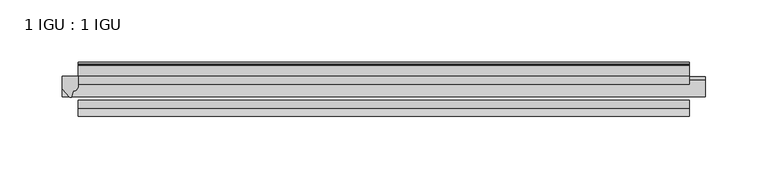
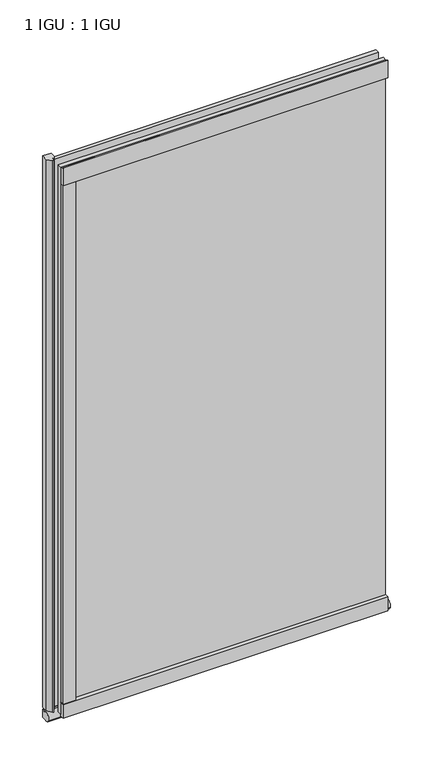
"""IFC4 building model written with IfcOpenShell, lengths in millimetres: plate geometry, 1 IGU : 1 IGU."""

from ifc_helpers import new_model, si_unit, point, frame, frame_2d, origin, place, context, project, spatial, polyline, circle_curve, ellipse_curve, trimmed, segment, composite_curve, outline, extrude, source, transform, mapped, element, save
from ifc_brep_helpers import plane_surface, revolved_surface, extruded_surface, advanced_brep


def plate_1_igu_1_igu_a1e6f64d(model_context):
    return source(origin(), model_context, "Body", "SolidModel", [
        extrude(outline(polyline([(244.6551797, 0.0021347), (244.6551797, -6.2992), (-244.6551797, -6.2992), (-244.6551797, 0.0021347), (244.6551797, 0.0021347)])), frame((0.0, 0.0, -19.05), z_axis=(0.0, 0.0, 1.0), x_axis=(1.0, 0.0, 0.0)), (0.0, 0.0, 1.0), 869.9368072),
        extrude(outline(polyline([(-244.6551797, -19.0986653), (244.6551797, -19.0986653), (244.6551797, -25.3978653), (-244.6551797, -25.3978653), (-244.6551797, -19.0986653)])), frame((0.0, 0.0, -19.05), z_axis=(0.0, 0.0, 1.0), x_axis=(1.0, 0.0, 0.0)), (0.0, 0.0, 1.0), 869.9368072),
        advanced_brep(
        [(257.3551797, -2.9334208, -29.3692082), (257.3551797, -15.7658436, -30.8313288), (257.3551797, -6.7904952, -34.925), (257.3551797, 0.0, -34.925), (257.3551797, 0.0, -22.225), (257.3551797, -2.5187477, -22.225), (-257.3551797, -2.9073519, -29.3720514), (-257.3551797, -2.5187477, -22.225), (-257.3551797, 0.0, -22.225), (-257.3551797, 0.0, -34.925), (-257.3551797, -6.7904952, -34.925), (-257.3551797, -15.7658436, -30.8313288)],
        [
            (0, 1, ellipse_curve(frame((257.3551797, -9.5065066, -28.575), z_axis=(1.0, 0.0, 0.0), x_axis=(0.0, 0.0, -1.0)), 6.9638038, 6.6162554)),
            (1, 2, ellipse_curve(frame((257.3551797, -9.5065066, -28.575), z_axis=(1.0, 0.0, 0.0), x_axis=(0.0, 0.0, -1.0)), 6.9638038, 6.6162554)),
            (2, 3),
            (3, 4, circle_curve(frame((257.3551797, 24.1576838, -28.575), z_axis=(-1.0, 0.0, 0.0), x_axis=(0.0, 0.0, 1.0)), 24.9783143)),
            (4, 5),
            (5, 0, circle_curve(frame((257.3551797, -68.4358767, -22.225), z_axis=(-1.0, 0.0, 0.0), x_axis=(0.0, 0.0, 1.0)), 65.917129)),
            (6, 7, circle_curve(frame((-257.3551797, -68.4358767, -22.225), z_axis=(1.0, 0.0, 0.0), x_axis=(0.0, 0.0, 1.0)), 65.917129)),
            (7, 8),
            (8, 9, circle_curve(frame((-257.3551797, 24.1576838, -28.575), z_axis=(1.0, 0.0, 0.0), x_axis=(0.0, 0.0, 1.0)), 24.9783143)),
            (9, 10),
            (10, 11, ellipse_curve(frame((-257.3551797, -9.5065066, -28.575), z_axis=(-1.0, 0.0, 0.0), x_axis=(0.0, 0.0, -1.0)), 6.9638038, 6.6162554)),
            (11, 6, ellipse_curve(frame((-257.3551797, -9.5065066, -28.575), z_axis=(-1.0, 0.0, 0.0), x_axis=(0.0, 0.0, -1.0)), 6.9638038, 6.6162554)),
            (0, 6),
            (11, 1),
            (10, 2),
            (9, 3),
            (8, 4),
            (7, 5),
        ],
        [
            plane_surface(frame((257.3551797, 0.0, -28.575), z_axis=(1.0, 0.0, 0.0), x_axis=(0.0, 1.0, 0.0))),
            plane_surface(frame((-257.3551797, 0.0, -28.575), z_axis=(-1.0, 0.0, 0.0), x_axis=(0.0, 1.0, 0.0))),
            extruded_surface(trimmed(ellipse_curve(frame((-257.3551797, -9.5065066, -28.575), z_axis=(1.0, 0.0, 0.0), x_axis=(0.0, 0.0, -1.0)), 6.9638038, 6.6162554), [point((-257.3551797, -2.9334208, -29.3692082))], [point((-257.3551797, -15.7658436, -30.8313288))], True, "CARTESIAN"), (514.7103594, 0.0, 0.0), 514.7103594),
            extruded_surface(trimmed(ellipse_curve(frame((-257.3551797, -9.5065066, -28.575), z_axis=(1.0, 0.0, 0.0), x_axis=(0.0, 0.0, -1.0)), 6.9638038, 6.6162554), [point((-257.3551797, -15.7658436, -30.8313288))], [point((-257.3551797, -6.7904952, -34.925))], True, "CARTESIAN"), (514.7103594, 0.0, 0.0), 514.7103594),
            plane_surface(frame((257.3551797, -6.7904952, -34.925), z_axis=(0.0, 0.0, -1.0), x_axis=(-1.0, 0.0, 0.0))),
            revolved_surface(polyline([(-257.3551797, 24.1576838, -3.5966856999999983), (257.3551797, 24.1576838, -3.5966856999999983)]), (257.3551797, 24.1576838, -28.575), (-1.0, 0.0, 0.0)),
            plane_surface(frame((257.3551797, 0.0, -22.225), z_axis=(0.0, 0.0, 1.0), x_axis=(-1.0, 0.0, 0.0))),
            revolved_surface(polyline([(-257.3551797, -68.4358767, 43.692129), (257.3551797, -68.4358767, 43.692129)]), (257.3551797, -68.4358767, -22.225), (-1.0, 0.0, 0.0)),
        ],
        [
            (0, [[1, 2, 3, 4, 5, 6]]),
            (1, [[7, 8, 9, 10, 11, 12]]),
            (2, [[-1, 13, -12, 14]]),
            (3, [[-2, -14, -11, 15]]),
            (4, [[-3, -15, -10, 16]]),
            (5, [[-4, -16, -9, 17]]),
            (6, [[-5, -17, -8, 18]]),
            (7, [[-6, -18, -7, -13]]),
        ],
    ),
        extrude(outline(composite_curve([segment(polyline([(-244.6551797, 8.8e-06), (-244.6551797, -7.7683362)]), True, "CONTINUOUS"), segment(trimmed(circle_curve(frame_2d((-248.6266776, -7.7683362)), 3.9714979), [point((-244.6551797, -7.7683362))], [point((-248.7541294, -11.7377885))], False, "CARTESIAN"), True, "CONTINUOUS"), segment(polyline([(-248.7541294, -11.7377885), (-249.734164, -16.012436)]), True, "CONTINUOUS"), segment(trimmed(circle_curve(frame_2d((-250.835373, -15.7723555)), 1.1270758), [point((-249.734164, -16.012436))], [point((-251.7892124, -16.372764))], False, "CARTESIAN"), True, "CONTINUOUS"), segment(polyline([(-251.7892124, -16.372764), (-257.3551797, -9.7395025), (-257.3551797, 8.8e-06), (-244.6551797, 8.8e-06)]), True, "CONTINUOUS")], self_intersect=False)), frame((0.0, 0.0, -19.05), z_axis=(0.0, 0.0, 1.0), x_axis=(1.0, 0.0, 0.0)), (0.0, 0.0, 1.0), 877.0742072),
        extrude(outline(composite_curve([segment(polyline([(-31.75, 0.0), (-25.4, 0.0), (-25.4, -22.225)]), True, "CONTINUOUS"), segment(trimmed(circle_curve(frame_2d((-28.575, -28.9113452)), 7.4018806), [point((-25.4, -22.225))], [point((-31.75, -22.225))], True, "CARTESIAN"), True, "CONTINUOUS"), segment(polyline([(-31.75, -22.225), (-31.75, 0.0)]), True, "CONTINUOUS")], self_intersect=False)), frame((-244.6551797, 0.0, 0.0), z_axis=(1.0, 0.0, 0.0), x_axis=(0.0, 1.0, 0.0)), (0.0, 0.0, 1.0), 489.3103593),
        extrude(outline(composite_curve([segment(polyline([(8.509, 840.7300284), (8.509, 838.6980284), (6.35, 838.6980284), (6.35, 833.3640284), (8.9492698, 833.3640284)]), True, "CONTINUOUS"), segment(trimmed(circle_curve(frame_2d((8.208689, 831.8368072)), 1.697311), [point((8.9492698, 833.3640284))], [point((8.962411, 830.3160284))], False, "CARTESIAN"), True, "CONTINUOUS"), segment(polyline([(8.962411, 830.3160284), (6.35, 830.3160284), (6.35, 825.4868072), (11.1252, 825.4868072), (11.1252, 824.5978072)]), True, "CONTINUOUS"), segment(trimmed(circle_curve(frame_2d((10.1092, 824.5978072)), 1.016), [point((11.1252, 824.5978072))], [point((10.1092, 823.5818072))], False, "CARTESIAN"), True, "CONTINUOUS"), segment(trimmed(circle_curve(frame_2d((10.1092, 804.1707318)), 19.4110754), [point((10.1092, 823.5818072))], [point((0.0, 820.7416075))], True, "CARTESIAN"), True, "CONTINUOUS"), segment(polyline([(0.0, 820.7416075), (0.0, 840.7300284), (8.509, 840.7300284)]), True, "CONTINUOUS")], self_intersect=False)), frame((-244.6551797, 0.0, 0.0), z_axis=(1.0, 0.0, 0.0), x_axis=(0.0, 1.0, 0.0)), (0.0, 0.0, 1.0), 489.3103593),
        extrude(outline(composite_curve([segment(polyline([(-25.4, 850.8868072), (-25.4, 825.4868072), (-31.75, 825.4868072), (-31.75, 853.6597045)]), True, "CONTINUOUS"), segment(trimmed(circle_curve(frame_2d((-24.1401272, 862.4292187)), 11.6109665), [point((-31.75, 853.6597045))], [point((-25.4, 850.8868072))], True, "CARTESIAN"), True, "CONTINUOUS")], self_intersect=False)), frame((-244.6551797, 0.0, 0.0), z_axis=(1.0, 0.0, 0.0), x_axis=(0.0, 1.0, 0.0)), (0.0, 0.0, 1.0), 489.3103593),
        extrude(outline(composite_curve([segment(trimmed(circle_curve(frame_2d((-254.1213304, -28.575)), 9.9844196), [point((-244.6551797, -31.75))], [point((-244.6551797, -25.4))], True, "CARTESIAN"), True, "CONTINUOUS"), segment(polyline([(-244.6551797, -25.4), (-225.6051797, -25.4), (-225.6051797, -31.75), (-244.6551797, -31.75)]), True, "CONTINUOUS")], self_intersect=False)), frame((0.0, 0.0, -19.05), z_axis=(0.0, 0.0, 1.0), x_axis=(1.0, 0.0, 0.0)), (0.0, 0.0, 1.0), 869.9368072),
    ])


if __name__ == "__main__":
    model = new_model("IFC4")
    model_context = context("Model", 3, world=origin())
    ifc_project = project(units=[si_unit("LENGTHUNIT", "METRE", prefix="MILLI")], contexts=[model_context])
    site = spatial("IfcSite", under=ifc_project)
    building = spatial("IfcBuilding", under=site)
    placement = place(None, origin())
    plate_1_igu_1_igu_shape = plate_1_igu_1_igu_a1e6f64d(model_context)
    element("IfcPlate", 1, ObjectType="1 IGU : 1 IGU", at=placement, inside=building, context=model_context, shape_type="MappedRepresentation", body=[
        mapped(plate_1_igu_1_igu_shape, transform((0.0, 0.0, 0.0), x_axis=(1.0, 0.0, 0.0), y_axis=(0.0, 1.0, 0.0), z_axis=(0.0, 0.0, 1.0))),
    ])
    save(model, "model.ifc")
